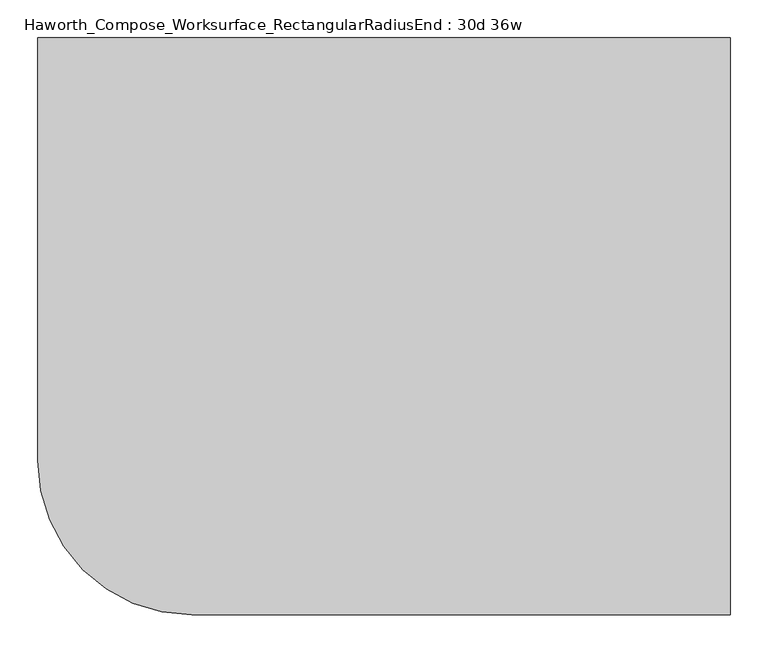
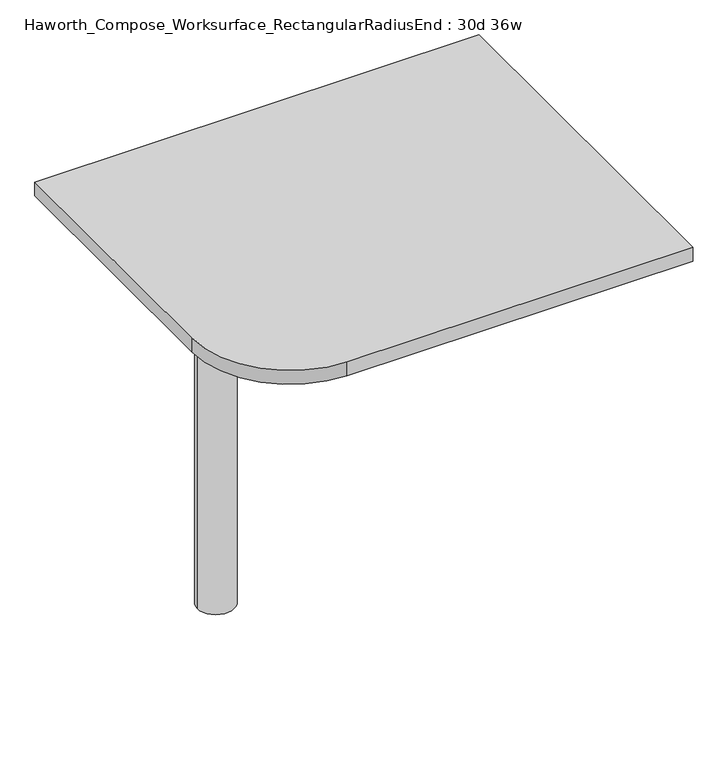
"""IFC4 building model written with IfcOpenShell, lengths in millimetres: furniture geometry, Haworth_Compose_Worksurface_RectangularRadiusEnd : 30d 36w."""

import ifcopenshell
import ifcopenshell.guid

model = None  # the IFC model being written
_history = None  # IfcOwnerHistory: only IFC2X3 demands one
_inside = {}  # id of a spatial element -> (the spatial element, [elements in it])
_under = {}  # id of a project, library or spatial element -> (it, [spatial elements below it])
_declared = {}  # id of a project -> (the project, [libraries it declares])
_typed = {}  # id of a type object -> (the type object, [elements of that type])
_made_of = {}  # id of a material, layer set ... -> (it, [elements and type objects made of it])


def new_model(schema):
    """Start an empty IFC model of exactly this schema.

    Asked for "IFC4X3", IfcOpenShell would pick the latest addendum, in which some entities
    have other attributes; the version numbers below select the first issue.
    IFC2X3 requires an IfcOwnerHistory on every rooted entity: one is made here for all.
    """
    global model, _history
    if schema == "IFC4X3":
        model = ifcopenshell.file(schema_version=(4, 3, 0, 0))
    else:
        model = ifcopenshell.file(schema=schema)
    _inside.clear()
    _under.clear()
    _declared.clear()
    _typed.clear()
    _made_of.clear()
    _history = None
    if model.schema == "IFC2X3":
        org = make("IfcOrganization", Name="unknown")
        user = make(
            "IfcPersonAndOrganization",
            ThePerson=make("IfcPerson", FamilyName="unknown"),
            TheOrganization=org,
        )
        app = make(
            "IfcApplication",
            ApplicationDeveloper=org,
            Version="unknown",
            ApplicationFullName="unknown",
            ApplicationIdentifier="unknown",
        )
        _history = make(
            "IfcOwnerHistory",
            OwningUser=user,
            OwningApplication=app,
            ChangeAction="ADDED",
            CreationDate=0,
        )
    return model


def make(cls, **values):
    """One entity of the class cls with the attributes given. An attribute that is None is left unset."""
    return model.create_entity(
        cls, **{name: value for name, value in values.items() if value is not None}
    )


def rooted(cls, **values):
    """An entity with a GlobalId (a new one), such as an element, a storey or a relation."""
    return make(cls, GlobalId=ifcopenshell.guid.new(), OwnerHistory=_history, **values)


def si_unit(unit_type, name, prefix=None):
    """IfcSIUnit, for example si_unit("LENGTHUNIT", "METRE", prefix="MILLI")."""
    return make("IfcSIUnit", UnitType=unit_type, Prefix=prefix, Name=name)


def assignment(units):
    """IfcUnitAssignment: the units of a project."""
    return None if units is None else make("IfcUnitAssignment", Units=units)


def point(xyz):
    """IfcCartesianPoint."""
    return None if xyz is None else make("IfcCartesianPoint", Coordinates=xyz)


def direction(xyz):
    """IfcDirection."""
    return None if xyz is None else make("IfcDirection", DirectionRatios=xyz)


def frame(location, z_axis=None, x_axis=None):
    """IfcAxis2Placement3D, a coordinate frame: its origin and axes. An axis left out is left unset."""
    return make(
        "IfcAxis2Placement3D",
        Location=point(location),
        Axis=direction(z_axis),
        RefDirection=direction(x_axis),
    )


def frame_2d(location, x_axis=None):
    """IfcAxis2Placement2D, a coordinate frame in the plane: its origin and x axis."""
    return make(
        "IfcAxis2Placement2D", Location=point(location), RefDirection=direction(x_axis)
    )


def origin():
    """The frame at (0, 0, 0) with its axes left unset."""
    return frame((0.0, 0.0, 0.0))


def place(relative_to, where):
    """IfcLocalPlacement: puts the frame where relative to a parent placement (None: the world)."""
    return make(
        "IfcLocalPlacement", PlacementRelTo=relative_to, RelativePlacement=where
    )


def context(
    kind, dimensions, precision=None, world=None, true_north=None, identifier=None
):
    """IfcGeometricRepresentationContext, for example the 3D "Model" context."""
    return make(
        "IfcGeometricRepresentationContext",
        ContextIdentifier=identifier,
        ContextType=kind,
        CoordinateSpaceDimension=dimensions,
        Precision=precision,
        WorldCoordinateSystem=world,
        TrueNorth=true_north,
    )


def project(units=None, contexts=None):
    """IfcProject with its units and contexts."""
    return rooted(
        "IfcProject",
        Name="project",
        RepresentationContexts=contexts,
        UnitsInContext=assignment(units),
    )


def spatial(cls, under=None, at=None, **own):
    """A site, building, storey or space (cls), placed at a placement, below another one or the project."""
    s = rooted(cls, ObjectPlacement=at, **own)
    if under is not None:
        _under.setdefault(under.id(), (under, []))[1].append(s)
    return s


def polyline(points):
    """IfcPolyline through the points."""
    return make("IfcPolyline", Points=[point(p) for p in points])


def circle_curve(where, radius):
    """IfcCircle in the frame where."""
    return make("IfcCircle", Position=where, Radius=radius)


def trimmed(basis, trim1, trim2, sense, master):
    """IfcTrimmedCurve: the piece of a basis curve between two trims."""
    return make(
        "IfcTrimmedCurve",
        BasisCurve=basis,
        Trim1=trim1,
        Trim2=trim2,
        SenseAgreement=sense,
        MasterRepresentation=master,
    )


def segment(curve, same_sense, transition):
    """IfcCompositeCurveSegment."""
    return make(
        "IfcCompositeCurveSegment",
        Transition=transition,
        SameSense=same_sense,
        ParentCurve=curve,
    )


def composite_curve(segments, self_intersect=None):
    """IfcCompositeCurve: segments joined end to end."""
    return make("IfcCompositeCurve", Segments=segments, SelfIntersect=self_intersect)


def outline(outer, holes=None, kind="AREA"):
    """IfcArbitraryClosedProfileDef: a profile drawn as a closed curve; with holes, ...WithVoids."""
    if holes is None:
        return make("IfcArbitraryClosedProfileDef", ProfileType=kind, OuterCurve=outer)
    return make(
        "IfcArbitraryProfileDefWithVoids",
        ProfileType=kind,
        OuterCurve=outer,
        InnerCurves=holes,
    )


def extrude(swept, where, along, depth):
    """IfcExtrudedAreaSolid: the profile swept, set in the frame where, extruded along a direction by depth."""
    return make(
        "IfcExtrudedAreaSolid",
        SweptArea=swept,
        Position=where,
        ExtrudedDirection=direction(along),
        Depth=depth,
    )


def shape(context_of_items, identifier, shape_type, items):
    """IfcShapeRepresentation: the items that make up one representation, for example the "Body"."""
    return make(
        "IfcShapeRepresentation",
        ContextOfItems=context_of_items,
        RepresentationIdentifier=identifier,
        RepresentationType=shape_type,
        Items=items,
    )


def source(mapping_origin, context_of_items, identifier, shape_type, items):
    """IfcRepresentationMap: a shape defined once, which mapped items show again and again."""
    return make(
        "IfcRepresentationMap",
        MappingOrigin=mapping_origin,
        MappedRepresentation=shape(context_of_items, identifier, shape_type, items),
    )


def transform(
    local_origin,
    x_axis=None,
    y_axis=None,
    z_axis=None,
    scale=None,
    scale2=None,
    scale3=None,
    uniform=True,
):
    """IfcCartesianTransformationOperator3D, or its non-uniform kind. x_axis, y_axis, z_axis: its Axis1, 2, 3."""
    if uniform:
        return make(
            "IfcCartesianTransformationOperator3D",
            Axis1=direction(x_axis),
            Axis2=direction(y_axis),
            LocalOrigin=point(local_origin),
            Scale=scale,
            Axis3=direction(z_axis),
        )
    return make(
        "IfcCartesianTransformationOperator3DnonUniform",
        Axis1=direction(x_axis),
        Axis2=direction(y_axis),
        LocalOrigin=point(local_origin),
        Scale=scale,
        Axis3=direction(z_axis),
        Scale2=scale2,
        Scale3=scale3,
    )


def mapped(mapping_source, mapping_target):
    """IfcMappedItem: shows the shape of a source again, moved by a transform."""
    return make(
        "IfcMappedItem", MappingSource=mapping_source, MappingTarget=mapping_target
    )


def made_of(thing, what):
    """Note that an element or type object is made of a material, layer set ...; save() writes the relation."""
    if what is not None:
        _made_of.setdefault(what.id(), (what, []))[1].append(thing)
    return thing


def element(
    cls,
    number,
    at=None,
    inside=None,
    cuts=None,
    type_object=None,
    material=None,
    context=None,
    identifier="Body",
    shape_type=None,
    held_by="IfcProductDefinitionShape",
    body=None,
    shapes=None,
    **own,
):
    """One element of the class cls, such as IfcWall. Its Tag is "e" and its number.

    at: its placement. inside: the storey or other place that contains it. cuts: it is an
    opening in that element (IfcRelVoidsElement). A single representation is given by context,
    identifier, shape_type and body (its items); several are given by shapes. held_by: the class
    of the entity that holds the representations. save() writes the other relations.
    """
    e = rooted(cls, Tag="e%d" % number, ObjectPlacement=at, **own)
    if body is not None:
        shapes = [shape(context, identifier, shape_type, body)]
    if shapes is not None:
        e.Representation = make(held_by, Representations=shapes)
    if inside is not None:
        _inside.setdefault(inside.id(), (inside, []))[1].append(e)
    if cuts is not None:
        rooted(
            "IfcRelVoidsElement", RelatingBuildingElement=cuts, RelatedOpeningElement=e
        )
    if type_object is not None:
        _typed.setdefault(type_object.id(), (type_object, []))[1].append(e)
    return made_of(e, material)


def aggregate(whole, parts):
    """IfcRelAggregates: a whole, such as a stair, and the parts it consists of."""
    return rooted("IfcRelAggregates", RelatingObject=whole, RelatedObjects=parts)


def save(model, path):
    """Write the relations noted so far, then the file.

    IfcRelAggregates (storeys below a building ...), IfcRelContainedInSpatialStructure (elements
    in a storey), IfcRelDefinesByType, IfcRelAssociatesMaterial and IfcRelDeclares: one each for
    every whole, place, type object, material and project.
    """
    for whole, parts in _under.values():
        aggregate(whole, parts)
    for where, things in _inside.values():
        rooted(
            "IfcRelContainedInSpatialStructure",
            RelatedElements=things,
            RelatingStructure=where,
        )
    for kind, things in _typed.values():
        rooted("IfcRelDefinesByType", RelatedObjects=things, RelatingType=kind)
    for what, things in _made_of.values():
        rooted("IfcRelAssociatesMaterial", RelatedObjects=things, RelatingMaterial=what)
    for by, libraries in _declared.values():
        rooted("IfcRelDeclares", RelatingContext=by, RelatedDefinitions=libraries)
    model.write(path)


def plane_surface(at):
    """IfcPlane: the flat surface through the origin of the frame at, square to its z axis."""
    return make("IfcPlane", Position=at)


def cylinder_surface(at, radius):
    """IfcCylindricalSurface: all points at the distance radius from the z axis of the frame at."""
    return make("IfcCylindricalSurface", Position=at, Radius=radius)


def revolved_surface(curve, axis_point, axis_direction):
    """IfcSurfaceOfRevolution: the curve turned about the line through axis_point along axis_direction."""
    return make(
        "IfcSurfaceOfRevolution",
        SweptCurve=make("IfcArbitraryOpenProfileDef", ProfileType="CURVE", Curve=curve),
        AxisPosition=make("IfcAxis1Placement", Location=point(axis_point), Axis=direction(axis_direction)),
    )


def advanced_brep(points, edges, surfaces, faces):
    """IfcAdvancedBrep: a solid bounded by faces that lie on surfaces and meet in shared edges.

    An edge is (start, end): straight between two places in points (the first is 0);
    or (start, end, curve); or (start, end, curve, False) where it runs against its curve.
    A face is (place in surfaces, loops), or (place, loops, False) where it looks against
    its surface's normal. A loop lists edges by number (the first is 1), with a minus sign
    where the edge is run from its end to its start. The first loop is the outer one.
    """
    corners = [point(p) for p in points]
    vertices = [make("IfcVertexPoint", VertexGeometry=c) for c in corners]
    made = []
    for start, end, *more in edges:
        made.append(
            make(
                "IfcEdgeCurve",
                EdgeStart=vertices[start],
                EdgeEnd=vertices[end],
                EdgeGeometry=more[0] if more else make("IfcPolyline", Points=[corners[start], corners[end]]),
                SameSense=more[1] if len(more) > 1 else True,
            )
        )
    hull = []
    for where, loops, *sense in faces:
        bounds = []
        for j, loop in enumerate(loops):
            ring = [make("IfcOrientedEdge", EdgeElement=made[abs(k) - 1], Orientation=k > 0) for k in loop]
            bounds.append(
                make(
                    "IfcFaceOuterBound" if j == 0 else "IfcFaceBound",
                    Bound=make("IfcEdgeLoop", EdgeList=ring),
                    Orientation=True,
                )
            )
        hull.append(make("IfcAdvancedFace", Bounds=bounds, FaceSurface=surfaces[where], SameSense=sense[0] if sense else True))
    return make("IfcAdvancedBrep", Outer=make("IfcClosedShell", CfsFaces=hull))


def haworth_compose_worksurface_rectangularradiusend_30d_36w_8cd0b59a(model_context):
    return source(origin(), model_context, "Body", "SolidModel", [
        advanced_brep(
        [(451.64375, 381.0, 475.45625), (451.64375, 365.125, 475.45625), (451.64375, -25.4, 691.7192568), (451.64375, -25.4, 704.05625), (451.64375, 365.125, 704.05625), (451.64375, 381.0, 704.05625), (451.64375, 297.690072, 665.95625), (451.64375, 254.0355284, 665.95625), (451.64375, 251.3564235, 656.3705539), (451.64375, 343.0776173, 605.5776439), (451.64375, 352.425, 611.1756969), (451.64375, 352.425, 634.6860246), (451.64375, 350.6730055, 637.5242776), (451.64375, 300.7663437, 665.1613425), (454.025, 381.0, 475.45625), (454.025, 381.0, 704.05625), (454.025, 365.125, 704.05625), (454.025, 365.125, 706.4375), (454.025, -25.4, 706.4375), (454.025, -25.4, 691.7192568), (454.025, 365.125, 475.45625), (454.025, 297.690072, 665.95625), (454.025, 300.7663437, 665.1613425), (454.025, 350.6730055, 637.5242776), (454.025, 352.425, 634.6860246), (454.025, 352.425, 611.1756969), (454.025, 343.0776173, 605.5776439), (454.025, 251.3564235, 656.3705539), (454.025, 254.0355284, 665.95625), (412.75, -25.4, 706.4375), (412.75, -25.4, 704.05625), (412.75, 365.125, 704.05625), (412.75, 365.125, 706.4375)],
        [
            (0, 1),
            (1, 2),
            (2, 3),
            (3, 4),
            (4, 5),
            (5, 0),
            (6, 7),
            (7, 8, circle_curve(frame((451.64375, 254.0355284, 660.7890106), z_axis=(1.0, 0.0, 0.0), x_axis=(0.0, -1.0, 0.0)), 5.1672394)),
            (8, 9),
            (9, 10, circle_curve(frame((451.64375, 346.075, 611.1756969), z_axis=(1.0, 0.0, 0.0), x_axis=(0.0, -1.0, 0.0)), 6.35)),
            (10, 11),
            (11, 12, circle_curve(frame((451.64375, 349.25, 634.6860246), z_axis=(1.0, 0.0, 0.0), x_axis=(0.0, -1.0, 0.0)), 3.175)),
            (12, 13),
            (13, 6, circle_curve(frame((451.64375, 297.690072, 659.60625), z_axis=(1.0, 0.0, 0.0), x_axis=(0.0, -1.0, 0.0)), 6.35)),
            (14, 15),
            (15, 16),
            (16, 17),
            (17, 18),
            (18, 19),
            (19, 20),
            (20, 14),
            (21, 22, circle_curve(frame((454.025, 297.690072, 659.60625), z_axis=(-1.0, 0.0, 0.0), x_axis=(0.0, -1.0, 0.0)), 6.35)),
            (22, 23),
            (23, 24, circle_curve(frame((454.025, 349.25, 634.6860246), z_axis=(-1.0, 0.0, 0.0), x_axis=(0.0, -1.0, 0.0)), 3.175)),
            (24, 25),
            (25, 26, circle_curve(frame((454.025, 346.075, 611.1756969), z_axis=(-1.0, 0.0, 0.0), x_axis=(0.0, -1.0, 0.0)), 6.35)),
            (26, 27),
            (27, 28, circle_curve(frame((454.025, 254.0355284, 660.7890106), z_axis=(-1.0, 0.0, 0.0), x_axis=(0.0, -1.0, 0.0)), 5.1672394)),
            (28, 21),
            (4, 16),
            (15, 5),
            (14, 0),
            (20, 1),
            (19, 2),
            (18, 29),
            (29, 30),
            (30, 3),
            (6, 21),
            (28, 7),
            (9, 26),
            (25, 10),
            (24, 11),
            (23, 12),
            (27, 8),
            (31, 4),
            (30, 31),
            (32, 29),
            (17, 32),
            (31, 32),
            (22, 13),
        ],
        [
            plane_surface(frame((451.64375, 381.0, 475.45625), z_axis=(-1.0, 0.0, 0.0), x_axis=(0.0, 1.0, 0.0))),
            plane_surface(frame((454.025, 381.0, 475.45625), z_axis=(1.0, 0.0, 0.0), x_axis=(0.0, -1.0, 0.0))),
            plane_surface(frame((454.025, -25.4, 704.05625), z_axis=(0.0, 0.0, 1.0), x_axis=(-1.0, 0.0, 0.0))),
            plane_surface(frame((454.025, 381.0, 704.05625), z_axis=(0.0, 1.0, 0.0), x_axis=(-1.0, 0.0, 0.0))),
            plane_surface(frame((454.025, 381.0, 475.45625), z_axis=(0.0, 0.0, -1.0), x_axis=(-1.0, 0.0, 0.0))),
            plane_surface(frame((454.025, 365.125, 475.45625), z_axis=(0.0, -0.48445223513455843, -0.8748177135112952), x_axis=(-1.0, 0.0, 0.0))),
            plane_surface(frame((454.025, -25.4, 691.7192568), z_axis=(0.0, -1.0, 0.0), x_axis=(-1.0, 0.0, 0.0))),
            plane_surface(frame((454.025, 297.690072, 665.95625), z_axis=(0.0, 0.0, -1.0), x_axis=(-1.0, 0.0, 0.0))),
            revolved_surface(polyline([(451.64375, 339.72499999999997, 611.1756969), (454.025, 339.72499999999997, 611.1756969)]), (454.025, 346.075, 611.1756969), (-1.0, 0.0, 0.0)),
            plane_surface(frame((454.025, 352.425, 611.1756969), z_axis=(0.0, -1.0, 0.0), x_axis=(-1.0, 0.0, 0.0))),
            revolved_surface(polyline([(451.64375, 346.075, 634.6860246), (454.025, 346.075, 634.6860246)]), (454.025, 349.25, 634.6860246), (-1.0, 0.0, 0.0)),
            revolved_surface(polyline([(451.64375, 248.868289, 660.7890106), (454.025, 248.868289, 660.7890106)]), (454.025, 254.0355284, 660.7890106), (-1.0, 0.0, 0.0)),
            plane_surface(frame((454.025, 365.125, 704.05625), z_axis=(0.0, 0.0, -1.0), x_axis=(-1.0, 0.0, 0.0))),
            plane_surface(frame((454.025, 365.125, 706.4375), z_axis=(0.0, 0.0, 1.0), x_axis=(1.0, 0.0, 0.0))),
            plane_surface(frame((412.75, 365.125, 706.4375), z_axis=(0.0, 1.0, 0.0), x_axis=(0.0, 0.0, -1.0))),
            plane_surface(frame((412.75, -25.4, 706.4375), z_axis=(-1.0, 0.0, 0.0), x_axis=(0.0, 0.0, -1.0))),
            plane_surface(frame((454.025, 251.3564235, 656.3705539), z_axis=(0.0, 0.4844522351345583, 0.8748177135112953), x_axis=(-1.0, 0.0, 0.0))),
            plane_surface(frame((454.025, 350.6730055, 637.5242776), z_axis=(0.0, -0.4844522351345582, -0.8748177135112953), x_axis=(-1.0, 0.0, 0.0))),
            revolved_surface(polyline([(451.64375, 291.34007199999996, 659.60625), (454.025, 291.34007199999996, 659.60625)]), (454.025, 297.690072, 659.60625), (-1.0, 0.0, 0.0)),
        ],
        [
            (0, [[1, 2, 3, 4, 5, 6], [7, 8, 9, 10, 11, 12, 13, 14]]),
            (1, [[15, 16, 17, 18, 19, 20, 21], [22, 23, 24, 25, 26, 27, 28, 29]]),
            (2, [[-5, 30, -16, 31]]),
            (3, [[-31, -15, 32, -6]]),
            (4, [[-32, -21, 33, -1]]),
            (5, [[-33, -20, 34, -2]]),
            (6, [[-34, -19, 35, 36, 37, -3]]),
            (7, [[38, -29, 39, -7]]),
            (8, [[40, -26, 41, -10]]),
            (9, [[-41, -25, 42, -11]]),
            (10, [[-42, -24, 43, -12]]),
            (11, [[-39, -28, 44, -8]]),
            (12, [[45, -4, -37, 46]]),
            (13, [[47, -35, -18, 48]]),
            (14, [[-17, -30, -45, 49, -48]]),
            (15, [[-36, -47, -49, -46]]),
            (16, [[-44, -27, -40, -9]]),
            (17, [[-43, -23, 50, -13]]),
            (18, [[-50, -22, -38, -14]]),
        ],
    ),
        advanced_brep(
        [(-266.7, 0.0, 706.4375), (-342.9, 0.0, 706.4375), (-304.8, 0.0, 706.4375), (-266.7, 0.0, 0.0), (-342.9, 0.0, 0.0), (-304.8, 0.0, 0.0)],
        [
            (0, 1, circle_curve(frame((-304.8, 0.0, 706.4375), z_axis=(0.0, 0.0, 1.0), x_axis=(-1.0, 0.0, 0.0)), 38.1)),
            (1, 2),
            (2, 0),
            (1, 0, circle_curve(frame((-304.8, 0.0, 706.4375), z_axis=(0.0, 0.0, 1.0), x_axis=(-1.0, 0.0, 0.0)), 38.1)),
            (3, 4, circle_curve(frame((-304.8, 0.0, 0.0), z_axis=(0.0, 0.0, 1.0), x_axis=(-1.0, 0.0, 0.0)), 38.1)),
            (4, 1),
            (0, 3),
            (4, 3, circle_curve(frame((-304.8, 0.0, 0.0), z_axis=(0.0, 0.0, 1.0), x_axis=(-1.0, 0.0, 0.0)), 38.1)),
            (5, 4),
            (3, 5),
        ],
        [
            plane_surface(frame((-304.8, 0.0, 706.4375), z_axis=(0.0, 0.0, 1.0), x_axis=(-1.0, 0.0, 0.0))),
            cylinder_surface(frame((-304.8, 0.0, 889.623257), z_axis=(0.0, 0.0, -1.0), x_axis=(-1.0, 0.0, 0.0)), 38.1),
            plane_surface(frame((-304.8, 0.0, 0.0), z_axis=(0.0, 0.0, -1.0), x_axis=(-1.0, 0.0, 0.0))),
        ],
        [
            (0, [[1, 2, 3]]),
            (0, [[4, -3, -2]]),
            (1, [[5, 6, -1, 7]]),
            (1, [[8, -7, -4, -6]]),
            (2, [[9, -5, 10]]),
            (2, [[-10, -8, -9]]),
        ],
    ),
        extrude(outline(composite_curve([segment(polyline([(457.2, 381.0), (457.2, -381.0), (-254.0, -381.0)]), True, "CONTINUOUS"), segment(trimmed(circle_curve(frame_2d((-254.0, -177.8)), 203.2), [point((-254.0, -381.0))], [point((-457.2, -177.8))], False, "CARTESIAN"), True, "CONTINUOUS"), segment(polyline([(-457.2, -177.8), (-457.2, 381.0), (457.2, 381.0)]), True, "CONTINUOUS")], self_intersect=False)), frame((0.0, 0.0, 706.4375), z_axis=(0.0, 0.0, 1.0), x_axis=(1.0, 0.0, 0.0)), (0.0, 0.0, 1.0), 30.1625),
    ])


if __name__ == "__main__":
    model = new_model("IFC4")
    model_context = context("Model", 3, world=origin())
    ifc_project = project(units=[si_unit("LENGTHUNIT", "METRE", prefix="MILLI")], contexts=[model_context])
    site = spatial("IfcSite", under=ifc_project)
    building = spatial("IfcBuilding", under=site)
    placement = place(None, origin())
    haworth_compose_worksurface_rectangularradiusend_30d_36w_shape = haworth_compose_worksurface_rectangularradiusend_30d_36w_8cd0b59a(model_context)
    element("IfcFurniture", 1, ObjectType="Haworth_Compose_Worksurface_RectangularRadiusEnd : 30d 36w", at=placement, inside=building, context=model_context, shape_type="MappedRepresentation", body=[
        mapped(haworth_compose_worksurface_rectangularradiusend_30d_36w_shape, transform((0.0, 0.0, 0.0), x_axis=(1.0, 0.0, 0.0), y_axis=(0.0, 1.0, 0.0), z_axis=(0.0, 0.0, 1.0))),
    ])
    save(model, "model.ifc")
